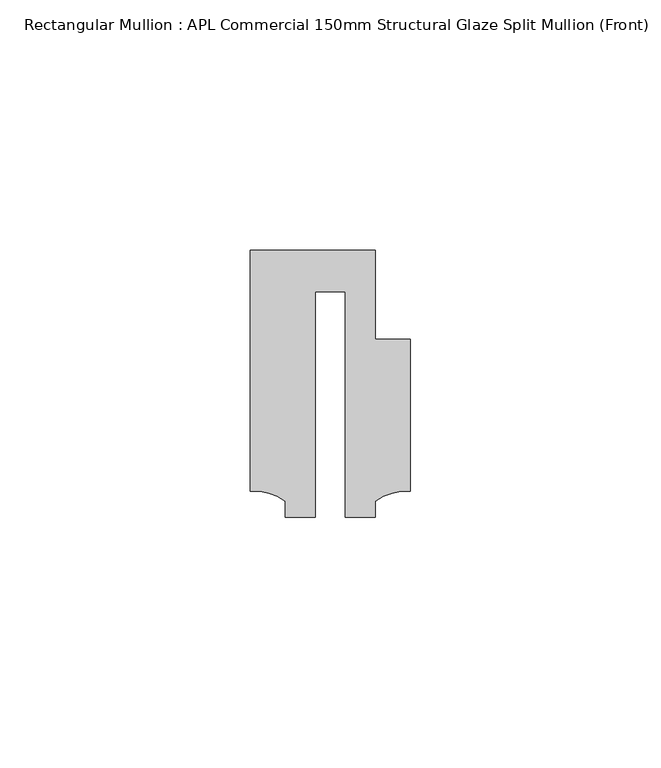
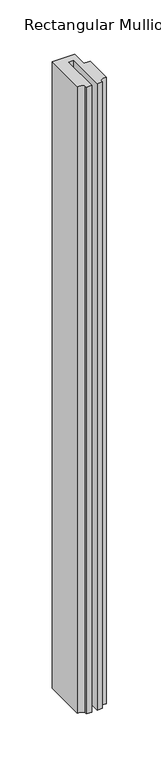
"""IFC4 building model written with IfcOpenShell, lengths in millimetres: member geometry, Rectangular Mullion : APL Commercial 150mm Structural Glaze Split Mullion (Front)."""

from ifc_helpers import new_model, si_unit, point, frame, frame_2d, origin, place, context, project, spatial, polyline, circle_curve, trimmed, segment, composite_curve, outline, extrude, source, transform, mapped, element, save


def rectangular_mullion_apl_commercial_150mm_structural_glaze_39953043(model_context):
    return source(origin(), model_context, "Body", "SweptSolid", [
        extrude(outline(composite_curve([segment(polyline([(15.9999391, 14.9953356), (15.9999391, -15.3837352)]), True, "CONTINUOUS"), segment(trimmed(circle_curve(frame_2d((15.1098019, -25.802169)), 10.4563907), [point((15.9999391, -15.3837352))], [point((8.9999842, -17.3165203))], True, "CARTESIAN"), True, "CONTINUOUS"), segment(polyline([(8.9999842, -17.3165203), (8.9999842, -20.5039877), (2.9999676, -20.5039877), (2.9999676, 24.5130805), (-2.9999659, 24.5130805), (-2.9999659, -20.5039877), (-8.9999842, -20.5039877), (-8.9999842, -17.3165203)]), True, "CONTINUOUS"), segment(trimmed(circle_curve(frame_2d((-15.1098019, -25.802169)), 10.4563907), [point((-8.9999842, -17.3165203))], [point((-15.9999391, -15.3837352))], True, "CARTESIAN"), True, "CONTINUOUS"), segment(polyline([(-15.9999391, -15.3837352), (-15.9999391, 32.7960123), (9.0, 32.7960123), (9.0, 14.9953356), (15.9999391, 14.9953356)]), True, "CONTINUOUS")], self_intersect=False)), frame((0.0, 0.0, -734.2022509), z_axis=(0.0, 0.0, 1.0), x_axis=(1.0, 0.0, 0.0)), (0.0, 0.0, 1.0), 734.2022509),
    ])


if __name__ == "__main__":
    model = new_model("IFC4")
    model_context = context("Model", 3, world=origin())
    ifc_project = project(units=[si_unit("LENGTHUNIT", "METRE", prefix="MILLI")], contexts=[model_context])
    site = spatial("IfcSite", under=ifc_project)
    building = spatial("IfcBuilding", under=site)
    placement = place(None, origin())
    rectangular_mullion_apl_commercial_150mm_structural_glaze_shape = rectangular_mullion_apl_commercial_150mm_structural_glaze_39953043(model_context)
    element("IfcMember", 1, ObjectType="Rectangular Mullion : APL Commercial 150mm Structural Glaze Split Mullion (Front)", at=placement, inside=building, context=model_context, shape_type="MappedRepresentation", body=[
        mapped(rectangular_mullion_apl_commercial_150mm_structural_glaze_shape, transform((0.0, 0.0, 0.0), x_axis=(1.0, 0.0, 0.0), y_axis=(0.0, 1.0, 0.0), z_axis=(0.0, 0.0, 1.0))),
    ])
    save(model, "model.ifc")
